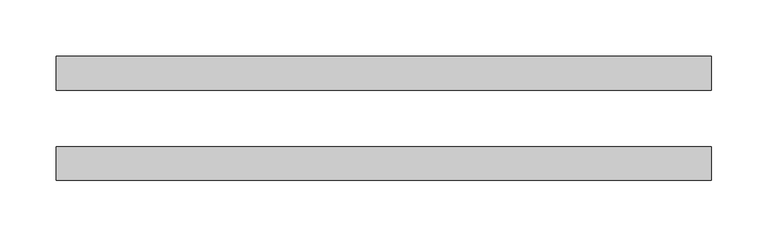
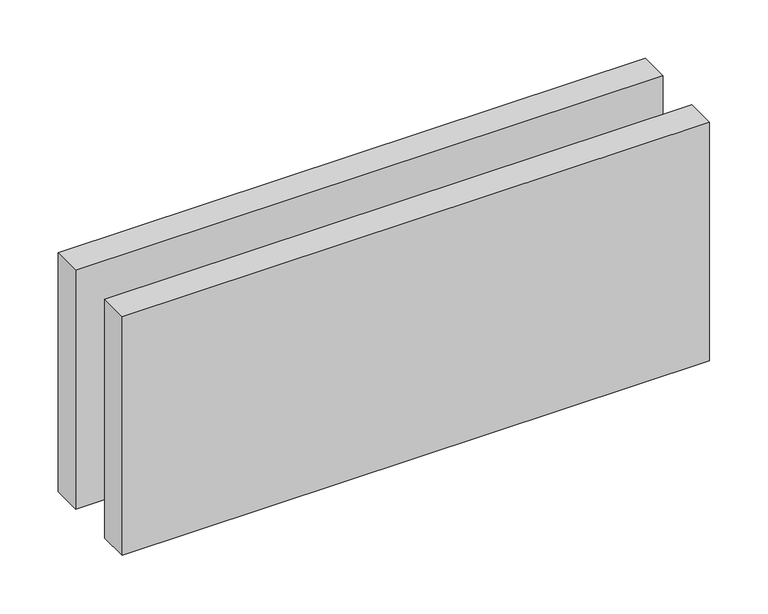
"""IFC4 building model written with IfcOpenShell, lengths in millimetres: proxy geometry."""

from ifc_helpers import new_model, si_unit, origin, origin_with_axes, place, context, project, spatial, polyline, outline, extrude, source, transform, mapped, element, save


def generic_models_769f86ba(model_context):
    return source(origin(), model_context, "Body", "SweptSolid", [
        extrude(outline(polyline([(581.279818, -25.0), (581.279818, -55.0), (0.0, -55.0), (0.0, -25.0), (581.279818, -25.0)])), origin_with_axes(), (0.0, 0.0, 1.0), 250.0),
        extrude(outline(polyline([(581.279818, 55.0), (581.279818, 25.0), (0.0, 25.0), (0.0, 55.0), (581.279818, 55.0)])), origin_with_axes(), (0.0, 0.0, 1.0), 250.0),
    ])


if __name__ == "__main__":
    model = new_model("IFC4")
    model_context = context("Model", 3, world=origin())
    ifc_project = project(units=[si_unit("LENGTHUNIT", "METRE", prefix="MILLI")], contexts=[model_context])
    site = spatial("IfcSite", under=ifc_project)
    building = spatial("IfcBuilding", under=site)
    placement = place(None, origin())
    generic_models_shape = generic_models_769f86ba(model_context)
    element("IfcBuildingElementProxy", 1, Name="Generic Models", at=placement, inside=building, context=model_context, shape_type="MappedRepresentation", body=[
        mapped(generic_models_shape, transform((0.0, 0.0, 0.0), x_axis=(1.0, 0.0, 0.0), y_axis=(0.0, 1.0, 0.0), z_axis=(0.0, 0.0, 1.0))),
    ])
    save(model, "model.ifc")
